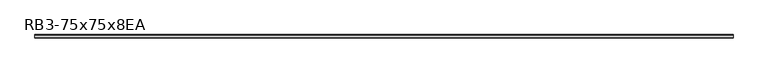
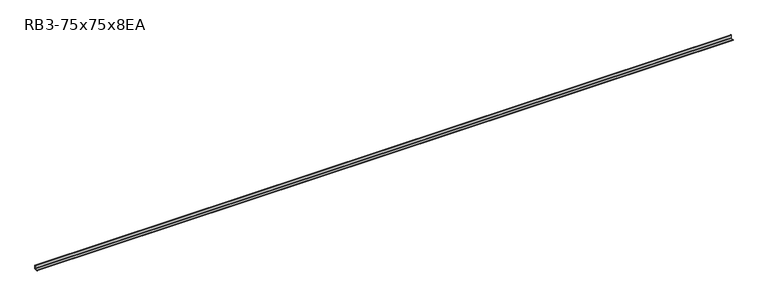
"""IFC4 building model written with IfcOpenShell, lengths in millimetres: member geometry, RB3-75x75x8EA."""

from ifc_helpers import new_model, si_unit, point, frame, frame_2d, origin, place, context, project, spatial, polyline, circle_curve, trimmed, segment, composite_curve, outline, extrude, source, transform, mapped, element, save


def rb3_75x75x8ea_87d56640(model_context):
    return source(origin(), model_context, "Body", "SweptSolid", [
        extrude(outline(composite_curve([segment(polyline([(21.3, -21.3), (-53.7, -21.3), (-53.7, -18.3)]), True, "CONTINUOUS"), segment(trimmed(circle_curve(frame_2d((-48.7, -18.3)), 5.0), [point((-53.7, -18.3))], [point((-48.7, -13.3))], False, "CARTESIAN"), True, "CONTINUOUS"), segment(polyline([(-48.7, -13.3), (5.3, -13.3)]), True, "CONTINUOUS"), segment(trimmed(circle_curve(frame_2d((5.3, -5.3)), 8.0), [point((5.3, -13.3))], [point((13.3, -5.3))], True, "CARTESIAN"), True, "CONTINUOUS"), segment(polyline([(13.3, -5.3), (13.3, 48.7)]), True, "CONTINUOUS"), segment(trimmed(circle_curve(frame_2d((18.3, 48.7)), 5.0), [point((13.3, 48.7))], [point((18.3, 53.7))], False, "CARTESIAN"), True, "CONTINUOUS"), segment(polyline([(18.3, 53.7), (21.3, 53.7), (21.3, -21.3)]), True, "CONTINUOUS")], self_intersect=False)), frame((-7349.9204671, 0.0, 0.0), z_axis=(1.0, 0.0, 0.0), x_axis=(0.0, 1.0, 0.0)), (0.0, 0.0, 1.0), 14668.3674743),
    ])


if __name__ == "__main__":
    model = new_model("IFC4")
    model_context = context("Model", 3, world=origin())
    ifc_project = project(units=[si_unit("LENGTHUNIT", "METRE", prefix="MILLI")], contexts=[model_context])
    site = spatial("IfcSite", under=ifc_project)
    building = spatial("IfcBuilding", under=site)
    placement = place(None, origin())
    rb3_75x75x8ea_shape = rb3_75x75x8ea_87d56640(model_context)
    element("IfcMember", 1, ObjectType="RB3-75x75x8EA", at=placement, inside=building, context=model_context, shape_type="MappedRepresentation", body=[
        mapped(rb3_75x75x8ea_shape, transform((0.0, 0.0, 0.0), x_axis=(1.0, 0.0, 0.0), y_axis=(0.0, 1.0, 0.0), z_axis=(0.0, 0.0, 1.0))),
    ])
    save(model, "model.ifc")
